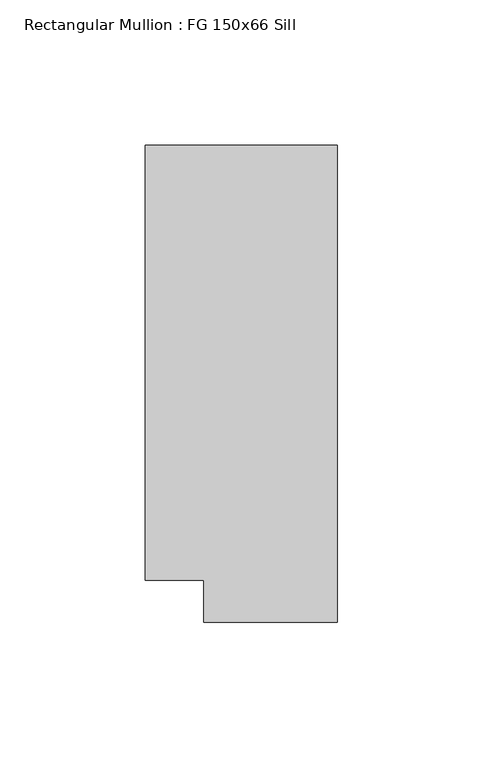
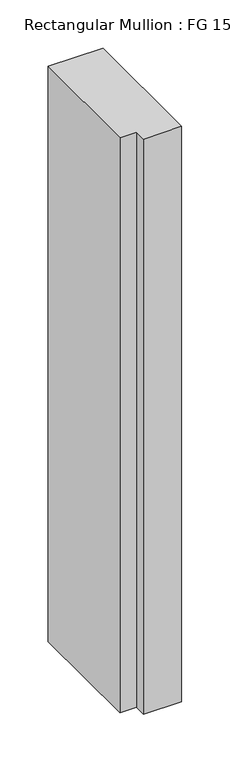
"""IFC4 building model written with IfcOpenShell, lengths in millimetres: member geometry, Rectangular Mullion : FG 150x66 Sill."""

from ifc_helpers import new_model, si_unit, frame, origin, place, context, project, spatial, polyline, outline, extrude, source, transform, mapped, element, save


def rectangular_mullion_fg_150x66_sill_8855f08e(model_context):
    return source(origin(), model_context, "Body", "SweptSolid", [
        extrude(outline(polyline([(0.0, 75.0), (0.0, -89.0), (-46.0000284, -89.0), (-46.0000284, -74.5), (-65.9954662, -74.5), (-65.9954662, 75.0), (0.0, 75.0)])), frame((0.0, 0.0, -729.9998396), z_axis=(0.0, 0.0, 1.0), x_axis=(1.0, 0.0, 0.0)), (0.0, 0.0, 1.0), 729.9998396),
    ])


if __name__ == "__main__":
    model = new_model("IFC4")
    model_context = context("Model", 3, world=origin())
    ifc_project = project(units=[si_unit("LENGTHUNIT", "METRE", prefix="MILLI")], contexts=[model_context])
    site = spatial("IfcSite", under=ifc_project)
    building = spatial("IfcBuilding", under=site)
    placement = place(None, origin())
    rectangular_mullion_fg_150x66_sill_shape = rectangular_mullion_fg_150x66_sill_8855f08e(model_context)
    element("IfcMember", 1, ObjectType="Rectangular Mullion : FG 150x66 Sill", at=placement, inside=building, context=model_context, shape_type="MappedRepresentation", body=[
        mapped(rectangular_mullion_fg_150x66_sill_shape, transform((0.0, 0.0, 0.0), x_axis=(1.0, 0.0, 0.0), y_axis=(0.0, 1.0, 0.0), z_axis=(0.0, 0.0, 1.0))),
    ])
    save(model, "model.ifc")
